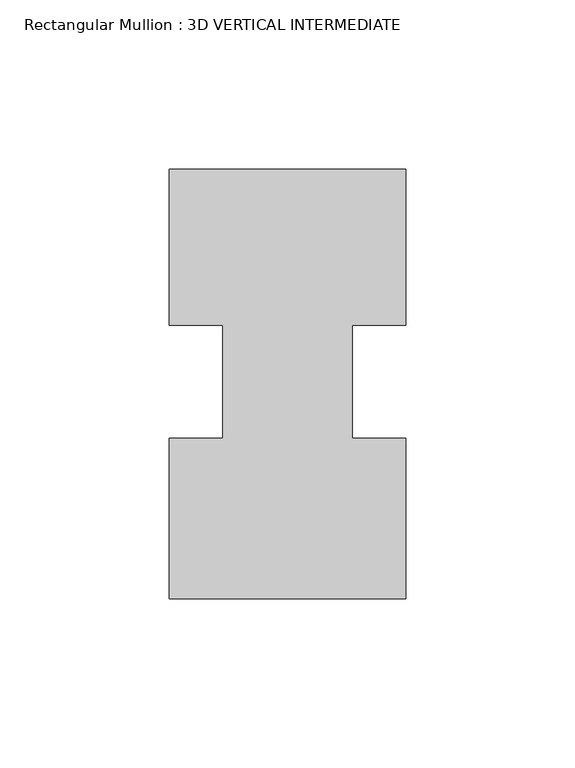
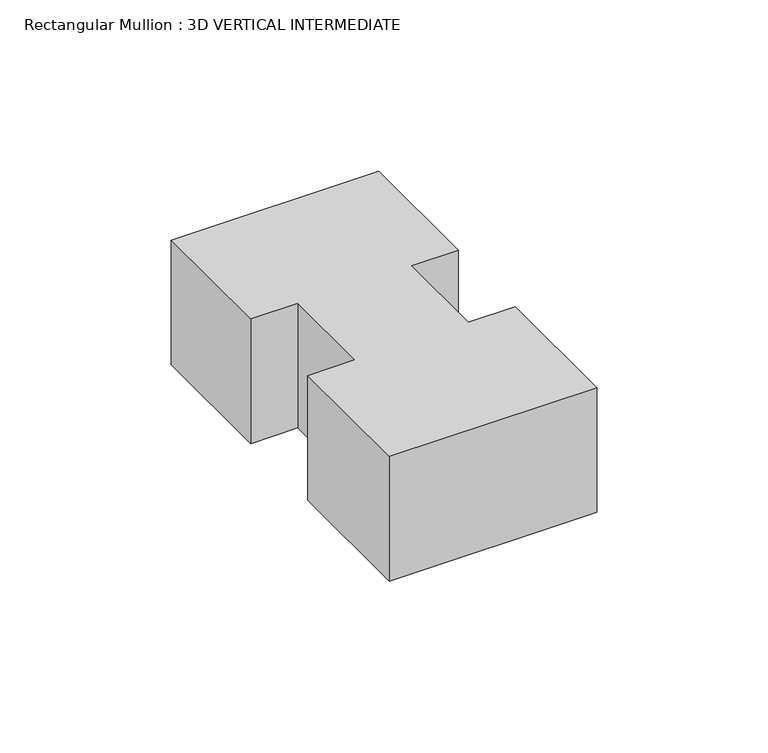
"""IFC4 building model written with IfcOpenShell, lengths in millimetres: member geometry, Rectangular Mullion : 3D VERTICAL INTERMEDIATE."""

from ifc_helpers import new_model, si_unit, frame, origin, place, context, project, spatial, polyline, outline, extrude, source, transform, mapped, element, save


def rectangular_mullion_3d_vertical_intermediate_84c63e40(model_context):
    return source(origin(), model_context, "Body", "SweptSolid", [
        extrude(outline(polyline([(35.0173164, 62.8615883), (35.0173164, 16.6786782), (19.1423164, 16.6786782), (19.1423164, -16.6786782), (35.0173157, -16.6786782), (35.0173157, -64.1384117), (-34.925, -64.1384117), (-34.925, -16.6786782), (-19.05, -16.6786782), (-19.05, 16.6786782), (-34.925, 16.6786782), (-34.925, 62.8615883), (35.0173164, 62.8615883)])), frame((0.0, 0.0, -44.45), z_axis=(0.0, 0.0, 1.0), x_axis=(1.0, 0.0, 0.0)), (0.0, 0.0, 1.0), 44.45),
    ])


if __name__ == "__main__":
    model = new_model("IFC4")
    model_context = context("Model", 3, world=origin())
    ifc_project = project(units=[si_unit("LENGTHUNIT", "METRE", prefix="MILLI")], contexts=[model_context])
    site = spatial("IfcSite", under=ifc_project)
    building = spatial("IfcBuilding", under=site)
    placement = place(None, origin())
    rectangular_mullion_3d_vertical_intermediate_shape = rectangular_mullion_3d_vertical_intermediate_84c63e40(model_context)
    element("IfcMember", 1, ObjectType="Rectangular Mullion : 3D VERTICAL INTERMEDIATE", at=placement, inside=building, context=model_context, shape_type="MappedRepresentation", body=[
        mapped(rectangular_mullion_3d_vertical_intermediate_shape, transform((0.0, 0.0, 0.0), x_axis=(1.0, 0.0, 0.0), y_axis=(0.0, 1.0, 0.0), z_axis=(0.0, 0.0, 1.0))),
    ])
    save(model, "model.ifc")
